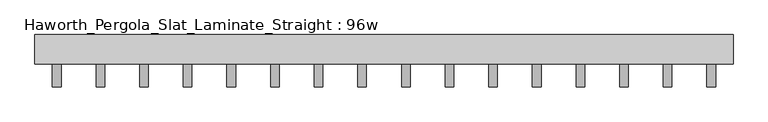
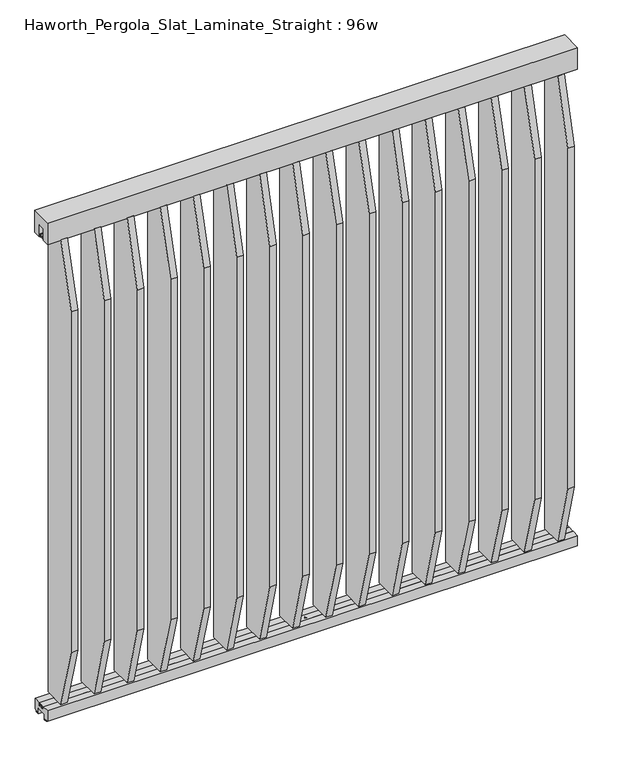
"""IFC4 building model written with IfcOpenShell, lengths in millimetres: furniture geometry, Haworth_Pergola_Slat_Laminate_Straight : 96w."""

from ifc_helpers import new_model, si_unit, point, frame, frame_2d, origin, place, context, project, spatial, polyline, circle_curve, trimmed, segment, composite_curve, outline, extrude, source, transform, mapped, element, save


def haworth_pergola_slat_laminate_straight_96w_f21a9518(model_context):
    return source(origin(), model_context, "Body", "SweptSolid", [
        extrude(outline(polyline([(-50.8, 2438.4), (50.8, 2438.4), (50.8, 2331.8390625), (15.2182948, 2331.8390625), (15.2182948, 2388.7001663), (-15.2182948, 2388.7001663), (-15.2182948, 2331.8390625), (-50.8, 2331.8390625), (-50.8, 2438.4)])), frame((-1181.1, 0.0, 0.0), z_axis=(1.0, 0.0, 0.0), x_axis=(0.0, 1.0, 0.0)), (0.0, 0.0, 1.0), 2438.4),
        extrude(outline(polyline([(-132.3000005, 2029.2806731), (-50.7895063, 2332.1697917), (50.8000016, 2332.1697917), (50.8000016, 68.7916667), (-50.7894893, 68.7916667), (-132.3000005, 371.6807247), (-132.3000005, 2029.2806731)])), frame((1013.7000003, 0.0, 0.0), z_axis=(1.0, 0.0, 0.0), x_axis=(0.0, 1.0, 0.0)), (0.0, 0.0, 1.0), 29.9999997),
        extrude(outline(composite_curve([segment(trimmed(circle_curve(frame_2d((1028.7000001, 1e-07)), 6.0), [point((1022.7000001, 1e-07))], [point((1034.7000001, 1e-07))], False, "CARTESIAN"), True, "CONTINUOUS"), segment(trimmed(circle_curve(frame_2d((1028.7000001, 1e-07)), 6.0), [point((1034.7000001, 1e-07))], [point((1022.7000001, 1e-07))], False, "CARTESIAN"), True, "CONTINUOUS")], self_intersect=False)), frame((0.0, 0.0, 2332.1697917), z_axis=(0.0, 0.0, 1.0), x_axis=(1.0, 0.0, 0.0)), (0.0, 0.0, 1.0), 4.9609375),
        extrude(outline(composite_curve([segment(trimmed(circle_curve(frame_2d((1028.7000001, 1e-07)), 6.0), [point((1022.7000001, 1e-07))], [point((1034.7000001, 1e-07))], False, "CARTESIAN"), True, "CONTINUOUS"), segment(trimmed(circle_curve(frame_2d((1028.7000001, 1e-07)), 6.0), [point((1034.7000001, 1e-07))], [point((1022.7000001, 1e-07))], False, "CARTESIAN"), True, "CONTINUOUS")], self_intersect=False)), frame((0.0, 0.0, 63.8307292), z_axis=(0.0, 0.0, 1.0), x_axis=(1.0, 0.0, 0.0)), (0.0, 0.0, 1.0), 4.9609375),
        extrude(outline(polyline([(-132.3000005, 2029.6114023), (-50.7895063, 2332.5005208), (50.8000016, 2332.5005208), (50.8000016, 69.1223958), (-50.7894893, 69.1223958), (-132.3000005, 372.0114539), (-132.3000005, 2029.6114023)])), frame((861.3000003, 0.0, 0.0), z_axis=(1.0, 0.0, 0.0), x_axis=(0.0, 1.0, 0.0)), (0.0, 0.0, 1.0), 29.9999997),
        extrude(outline(composite_curve([segment(trimmed(circle_curve(frame_2d((876.3000001, 1e-07)), 6.0), [point((870.3000001, 1e-07))], [point((882.3000001, 1e-07))], False, "CARTESIAN"), True, "CONTINUOUS"), segment(trimmed(circle_curve(frame_2d((876.3000001, 1e-07)), 6.0), [point((882.3000001, 1e-07))], [point((870.3000001, 1e-07))], False, "CARTESIAN"), True, "CONTINUOUS")], self_intersect=False)), frame((0.0, 0.0, 2332.5005208), z_axis=(0.0, 0.0, 1.0), x_axis=(1.0, 0.0, 0.0)), (0.0, 0.0, 1.0), 4.9609375),
        extrude(outline(composite_curve([segment(trimmed(circle_curve(frame_2d((876.3000001, 1e-07)), 6.0), [point((870.3000001, 1e-07))], [point((882.3000001, 1e-07))], False, "CARTESIAN"), True, "CONTINUOUS"), segment(trimmed(circle_curve(frame_2d((876.3000001, 1e-07)), 6.0), [point((882.3000001, 1e-07))], [point((870.3000001, 1e-07))], False, "CARTESIAN"), True, "CONTINUOUS")], self_intersect=False)), frame((0.0, 0.0, 64.1614583), z_axis=(0.0, 0.0, 1.0), x_axis=(1.0, 0.0, 0.0)), (0.0, 0.0, 1.0), 4.9609375),
        extrude(outline(polyline([(-132.3000005, 2029.9421314), (-50.7895063, 2332.83125), (50.8000016, 2332.83125), (50.8000016, 69.453125), (-50.7894893, 69.453125), (-132.3000005, 372.342183), (-132.3000005, 2029.9421314)])), frame((708.9000003, 0.0, 0.0), z_axis=(1.0, 0.0, 0.0), x_axis=(0.0, 1.0, 0.0)), (0.0, 0.0, 1.0), 29.9999997),
        extrude(outline(composite_curve([segment(trimmed(circle_curve(frame_2d((723.9000001, 1e-07)), 6.0), [point((717.9000001, 1e-07))], [point((729.9000001, 1e-07))], False, "CARTESIAN"), True, "CONTINUOUS"), segment(trimmed(circle_curve(frame_2d((723.9000001, 1e-07)), 6.0), [point((729.9000001, 1e-07))], [point((717.9000001, 1e-07))], False, "CARTESIAN"), True, "CONTINUOUS")], self_intersect=False)), frame((0.0, 0.0, 2332.83125), z_axis=(0.0, 0.0, 1.0), x_axis=(1.0, 0.0, 0.0)), (0.0, 0.0, 1.0), 4.9609375),
        extrude(outline(composite_curve([segment(trimmed(circle_curve(frame_2d((723.9000001, 1e-07)), 6.0), [point((717.9000001, 1e-07))], [point((729.9000001, 1e-07))], False, "CARTESIAN"), True, "CONTINUOUS"), segment(trimmed(circle_curve(frame_2d((723.9000001, 1e-07)), 6.0), [point((729.9000001, 1e-07))], [point((717.9000001, 1e-07))], False, "CARTESIAN"), True, "CONTINUOUS")], self_intersect=False)), frame((0.0, 0.0, 64.4921875), z_axis=(0.0, 0.0, 1.0), x_axis=(1.0, 0.0, 0.0)), (0.0, 0.0, 1.0), 4.9609375),
        extrude(outline(polyline([(-132.3000005, 2030.2728606), (-50.7895063, 2333.1619792), (50.8000016, 2333.1619792), (50.8000016, 69.7838542), (-50.7894893, 69.7838542), (-132.3000005, 372.6729122), (-132.3000005, 2030.2728606)])), frame((556.5000003, 0.0, 0.0), z_axis=(1.0, 0.0, 0.0), x_axis=(0.0, 1.0, 0.0)), (0.0, 0.0, 1.0), 29.9999997),
        extrude(outline(composite_curve([segment(trimmed(circle_curve(frame_2d((571.5000001, 1e-07)), 6.0), [point((565.5000001, 1e-07))], [point((577.5000001, 1e-07))], False, "CARTESIAN"), True, "CONTINUOUS"), segment(trimmed(circle_curve(frame_2d((571.5000001, 1e-07)), 6.0), [point((577.5000001, 1e-07))], [point((565.5000001, 1e-07))], False, "CARTESIAN"), True, "CONTINUOUS")], self_intersect=False)), frame((0.0, 0.0, 2333.1619792), z_axis=(0.0, 0.0, 1.0), x_axis=(1.0, 0.0, 0.0)), (0.0, 0.0, 1.0), 4.9609375),
        extrude(outline(composite_curve([segment(trimmed(circle_curve(frame_2d((571.5000001, 1e-07)), 6.0), [point((565.5000001, 1e-07))], [point((577.5000001, 1e-07))], False, "CARTESIAN"), True, "CONTINUOUS"), segment(trimmed(circle_curve(frame_2d((571.5000001, 1e-07)), 6.0), [point((577.5000001, 1e-07))], [point((565.5000001, 1e-07))], False, "CARTESIAN"), True, "CONTINUOUS")], self_intersect=False)), frame((0.0, 0.0, 64.8229167), z_axis=(0.0, 0.0, 1.0), x_axis=(1.0, 0.0, 0.0)), (0.0, 0.0, 1.0), 4.9609375),
        extrude(outline(polyline([(-132.3000005, 2030.6035898), (-50.7895063, 2333.4927083), (50.8000016, 2333.4927083), (50.8000016, 70.1145833), (-50.7894893, 70.1145833), (-132.3000005, 373.0036414), (-132.3000005, 2030.6035898)])), frame((404.1000003, 0.0, 0.0), z_axis=(1.0, 0.0, 0.0), x_axis=(0.0, 1.0, 0.0)), (0.0, 0.0, 1.0), 29.9999997),
        extrude(outline(composite_curve([segment(trimmed(circle_curve(frame_2d((419.1000001, 1e-07)), 6.0), [point((413.1000001, 1e-07))], [point((425.1000001, 1e-07))], False, "CARTESIAN"), True, "CONTINUOUS"), segment(trimmed(circle_curve(frame_2d((419.1000001, 1e-07)), 6.0), [point((425.1000001, 1e-07))], [point((413.1000001, 1e-07))], False, "CARTESIAN"), True, "CONTINUOUS")], self_intersect=False)), frame((0.0, 0.0, 2333.4927083), z_axis=(0.0, 0.0, 1.0), x_axis=(1.0, 0.0, 0.0)), (0.0, 0.0, 1.0), 4.9609375),
        extrude(outline(composite_curve([segment(trimmed(circle_curve(frame_2d((419.1000001, 1e-07)), 6.0), [point((413.1000001, 1e-07))], [point((425.1000001, 1e-07))], False, "CARTESIAN"), True, "CONTINUOUS"), segment(trimmed(circle_curve(frame_2d((419.1000001, 1e-07)), 6.0), [point((425.1000001, 1e-07))], [point((413.1000001, 1e-07))], False, "CARTESIAN"), True, "CONTINUOUS")], self_intersect=False)), frame((0.0, 0.0, 65.1536458), z_axis=(0.0, 0.0, 1.0), x_axis=(1.0, 0.0, 0.0)), (0.0, 0.0, 1.0), 4.9609375),
        extrude(outline(polyline([(-132.3000005, 2030.9343189), (-50.7895063, 2333.8234375), (50.8000016, 2333.8234375), (50.8000016, 70.4453125), (-50.7894893, 70.4453125), (-132.3000005, 373.3343705), (-132.3000005, 2030.9343189)])), frame((251.7000003, 0.0, 0.0), z_axis=(1.0, 0.0, 0.0), x_axis=(0.0, 1.0, 0.0)), (0.0, 0.0, 1.0), 29.9999997),
        extrude(outline(composite_curve([segment(trimmed(circle_curve(frame_2d((266.7000001, 1e-07)), 6.0), [point((260.7000001, 1e-07))], [point((272.7000001, 1e-07))], False, "CARTESIAN"), True, "CONTINUOUS"), segment(trimmed(circle_curve(frame_2d((266.7000001, 1e-07)), 6.0), [point((272.7000001, 1e-07))], [point((260.7000001, 1e-07))], False, "CARTESIAN"), True, "CONTINUOUS")], self_intersect=False)), frame((0.0, 0.0, 2333.8234375), z_axis=(0.0, 0.0, 1.0), x_axis=(1.0, 0.0, 0.0)), (0.0, 0.0, 1.0), 4.9609375),
        extrude(outline(composite_curve([segment(trimmed(circle_curve(frame_2d((266.7000001, 1e-07)), 6.0), [point((260.7000001, 1e-07))], [point((272.7000001, 1e-07))], False, "CARTESIAN"), True, "CONTINUOUS"), segment(trimmed(circle_curve(frame_2d((266.7000001, 1e-07)), 6.0), [point((272.7000001, 1e-07))], [point((260.7000001, 1e-07))], False, "CARTESIAN"), True, "CONTINUOUS")], self_intersect=False)), frame((0.0, 0.0, 65.484375), z_axis=(0.0, 0.0, 1.0), x_axis=(1.0, 0.0, 0.0)), (0.0, 0.0, 1.0), 4.9609375),
        extrude(outline(polyline([(-132.3000005, 2031.2650481), (-50.7895063, 2334.1541667), (50.8000016, 2334.1541667), (50.8000016, 70.7760417), (-50.7894893, 70.7760417), (-132.3000005, 373.6650997), (-132.3000005, 2031.2650481)])), frame((99.3000003, 0.0, 0.0), z_axis=(1.0, 0.0, 0.0), x_axis=(0.0, 1.0, 0.0)), (0.0, 0.0, 1.0), 29.9999997),
        extrude(outline(composite_curve([segment(trimmed(circle_curve(frame_2d((114.3000001, 1e-07)), 6.0), [point((108.3000001, 1e-07))], [point((120.3000001, 1e-07))], False, "CARTESIAN"), True, "CONTINUOUS"), segment(trimmed(circle_curve(frame_2d((114.3000001, 1e-07)), 6.0), [point((120.3000001, 1e-07))], [point((108.3000001, 1e-07))], False, "CARTESIAN"), True, "CONTINUOUS")], self_intersect=False)), frame((0.0, 0.0, 2334.1541667), z_axis=(0.0, 0.0, 1.0), x_axis=(1.0, 0.0, 0.0)), (0.0, 0.0, 1.0), 4.9609375),
        extrude(outline(composite_curve([segment(trimmed(circle_curve(frame_2d((114.3000001, 1e-07)), 6.0), [point((108.3000001, 1e-07))], [point((120.3000001, 1e-07))], False, "CARTESIAN"), True, "CONTINUOUS"), segment(trimmed(circle_curve(frame_2d((114.3000001, 1e-07)), 6.0), [point((120.3000001, 1e-07))], [point((108.3000001, 1e-07))], False, "CARTESIAN"), True, "CONTINUOUS")], self_intersect=False)), frame((0.0, 0.0, 65.8151042), z_axis=(0.0, 0.0, 1.0), x_axis=(1.0, 0.0, 0.0)), (0.0, 0.0, 1.0), 4.9609375),
        extrude(outline(polyline([(-132.3000005, 2031.5957773), (-50.7895063, 2334.4848958), (50.8000016, 2334.4848958), (50.8000016, 71.1067708), (-50.7894893, 71.1067708), (-132.3000005, 373.9958289), (-132.3000005, 2031.5957773)])), frame((-53.0999997, 0.0, 0.0), z_axis=(1.0, 0.0, 0.0), x_axis=(0.0, 1.0, 0.0)), (0.0, 0.0, 1.0), 29.9999997),
        extrude(outline(composite_curve([segment(trimmed(circle_curve(frame_2d((-38.0999999, 1e-07)), 6.0), [point((-44.0999999, 1e-07))], [point((-32.0999999, 1e-07))], False, "CARTESIAN"), True, "CONTINUOUS"), segment(trimmed(circle_curve(frame_2d((-38.0999999, 1e-07)), 6.0), [point((-32.0999999, 1e-07))], [point((-44.0999999, 1e-07))], False, "CARTESIAN"), True, "CONTINUOUS")], self_intersect=False)), frame((0.0, 0.0, 2334.4848958), z_axis=(0.0, 0.0, 1.0), x_axis=(1.0, 0.0, 0.0)), (0.0, 0.0, 1.0), 4.9609375),
        extrude(outline(composite_curve([segment(trimmed(circle_curve(frame_2d((-38.0999999, 1e-07)), 6.0), [point((-44.0999999, 1e-07))], [point((-32.0999999, 1e-07))], False, "CARTESIAN"), True, "CONTINUOUS"), segment(trimmed(circle_curve(frame_2d((-38.0999999, 1e-07)), 6.0), [point((-32.0999999, 1e-07))], [point((-44.0999999, 1e-07))], False, "CARTESIAN"), True, "CONTINUOUS")], self_intersect=False)), frame((0.0, 0.0, 66.1458333), z_axis=(0.0, 0.0, 1.0), x_axis=(1.0, 0.0, 0.0)), (0.0, 0.0, 1.0), 4.9609375),
        extrude(outline(polyline([(-132.3000005, 2031.9265064), (-50.7895063, 2334.815625), (50.8000016, 2334.815625), (50.8000016, 71.4375), (-50.7894893, 71.4375), (-132.3000005, 374.326558), (-132.3000005, 2031.9265064)])), frame((-205.4999997, 0.0, 0.0), z_axis=(1.0, 0.0, 0.0), x_axis=(0.0, 1.0, 0.0)), (0.0, 0.0, 1.0), 29.9999997),
        extrude(outline(composite_curve([segment(trimmed(circle_curve(frame_2d((-190.4999999, 1e-07)), 6.0), [point((-196.4999999, 1e-07))], [point((-184.4999999, 1e-07))], False, "CARTESIAN"), True, "CONTINUOUS"), segment(trimmed(circle_curve(frame_2d((-190.4999999, 1e-07)), 6.0), [point((-184.4999999, 1e-07))], [point((-196.4999999, 1e-07))], False, "CARTESIAN"), True, "CONTINUOUS")], self_intersect=False)), frame((0.0, 0.0, 2334.815625), z_axis=(0.0, 0.0, 1.0), x_axis=(1.0, 0.0, 0.0)), (0.0, 0.0, 1.0), 4.9609375),
        extrude(outline(composite_curve([segment(trimmed(circle_curve(frame_2d((-190.4999999, 1e-07)), 6.0), [point((-196.4999999, 1e-07))], [point((-184.4999999, 1e-07))], False, "CARTESIAN"), True, "CONTINUOUS"), segment(trimmed(circle_curve(frame_2d((-190.4999999, 1e-07)), 6.0), [point((-184.4999999, 1e-07))], [point((-196.4999999, 1e-07))], False, "CARTESIAN"), True, "CONTINUOUS")], self_intersect=False)), frame((0.0, 0.0, 66.4765625), z_axis=(0.0, 0.0, 1.0), x_axis=(1.0, 0.0, 0.0)), (0.0, 0.0, 1.0), 4.9609375),
        extrude(outline(polyline([(-132.3000005, 2032.2572356), (-50.7895063, 2335.1463542), (50.8000016, 2335.1463542), (50.8000016, 71.7682292), (-50.7894893, 71.7682292), (-132.3000005, 374.6572872), (-132.3000005, 2032.2572356)])), frame((-357.8999997, 0.0, 0.0), z_axis=(1.0, 0.0, 0.0), x_axis=(0.0, 1.0, 0.0)), (0.0, 0.0, 1.0), 29.9999997),
        extrude(outline(composite_curve([segment(trimmed(circle_curve(frame_2d((-342.8999999, 1e-07)), 6.0), [point((-348.8999999, 1e-07))], [point((-336.8999999, 1e-07))], False, "CARTESIAN"), True, "CONTINUOUS"), segment(trimmed(circle_curve(frame_2d((-342.8999999, 1e-07)), 6.0), [point((-336.8999999, 1e-07))], [point((-348.8999999, 1e-07))], False, "CARTESIAN"), True, "CONTINUOUS")], self_intersect=False)), frame((0.0, 0.0, 2335.1463542), z_axis=(0.0, 0.0, 1.0), x_axis=(1.0, 0.0, 0.0)), (0.0, 0.0, 1.0), 4.9609375),
        extrude(outline(composite_curve([segment(trimmed(circle_curve(frame_2d((-342.8999999, 1e-07)), 6.0), [point((-348.8999999, 1e-07))], [point((-336.8999999, 1e-07))], False, "CARTESIAN"), True, "CONTINUOUS"), segment(trimmed(circle_curve(frame_2d((-342.8999999, 1e-07)), 6.0), [point((-336.8999999, 1e-07))], [point((-348.8999999, 1e-07))], False, "CARTESIAN"), True, "CONTINUOUS")], self_intersect=False)), frame((0.0, 0.0, 66.8072917), z_axis=(0.0, 0.0, 1.0), x_axis=(1.0, 0.0, 0.0)), (0.0, 0.0, 1.0), 4.9609375),
        extrude(outline(polyline([(-132.3000005, 2032.5879648), (-50.7895063, 2335.4770833), (50.8000016, 2335.4770833), (50.8000016, 72.0989583), (-50.7894893, 72.0989583), (-132.3000005, 374.9880164), (-132.3000005, 2032.5879648)])), frame((-510.2999997, 0.0, 0.0), z_axis=(1.0, 0.0, 0.0), x_axis=(0.0, 1.0, 0.0)), (0.0, 0.0, 1.0), 29.9999997),
        extrude(outline(composite_curve([segment(trimmed(circle_curve(frame_2d((-495.2999999, 1e-07)), 6.0), [point((-501.2999999, 1e-07))], [point((-489.2999999, 1e-07))], False, "CARTESIAN"), True, "CONTINUOUS"), segment(trimmed(circle_curve(frame_2d((-495.2999999, 1e-07)), 6.0), [point((-489.2999999, 1e-07))], [point((-501.2999999, 1e-07))], False, "CARTESIAN"), True, "CONTINUOUS")], self_intersect=False)), frame((0.0, 0.0, 2335.4770833), z_axis=(0.0, 0.0, 1.0), x_axis=(1.0, 0.0, 0.0)), (0.0, 0.0, 1.0), 4.9609375),
        extrude(outline(composite_curve([segment(trimmed(circle_curve(frame_2d((-495.2999999, 1e-07)), 6.0), [point((-501.2999999, 1e-07))], [point((-489.2999999, 1e-07))], False, "CARTESIAN"), True, "CONTINUOUS"), segment(trimmed(circle_curve(frame_2d((-495.2999999, 1e-07)), 6.0), [point((-489.2999999, 1e-07))], [point((-501.2999999, 1e-07))], False, "CARTESIAN"), True, "CONTINUOUS")], self_intersect=False)), frame((0.0, 0.0, 67.1380208), z_axis=(0.0, 0.0, 1.0), x_axis=(1.0, 0.0, 0.0)), (0.0, 0.0, 1.0), 4.9609375),
        extrude(outline(polyline([(-132.3000005, 2032.9186939), (-50.7895063, 2335.8078125), (50.8000016, 2335.8078125), (50.8000016, 72.4296875), (-50.7894893, 72.4296875), (-132.3000005, 375.3187455), (-132.3000005, 2032.9186939)])), frame((-662.6999997, 0.0, 0.0), z_axis=(1.0, 0.0, 0.0), x_axis=(0.0, 1.0, 0.0)), (0.0, 0.0, 1.0), 29.9999997),
        extrude(outline(composite_curve([segment(trimmed(circle_curve(frame_2d((-647.6999999, 1e-07)), 6.0), [point((-653.6999999, 1e-07))], [point((-641.6999999, 1e-07))], False, "CARTESIAN"), True, "CONTINUOUS"), segment(trimmed(circle_curve(frame_2d((-647.6999999, 1e-07)), 6.0), [point((-641.6999999, 1e-07))], [point((-653.6999999, 1e-07))], False, "CARTESIAN"), True, "CONTINUOUS")], self_intersect=False)), frame((0.0, 0.0, 2335.8078125), z_axis=(0.0, 0.0, 1.0), x_axis=(1.0, 0.0, 0.0)), (0.0, 0.0, 1.0), 4.9609375),
        extrude(outline(composite_curve([segment(trimmed(circle_curve(frame_2d((-647.6999999, 1e-07)), 6.0), [point((-653.6999999, 1e-07))], [point((-641.6999999, 1e-07))], False, "CARTESIAN"), True, "CONTINUOUS"), segment(trimmed(circle_curve(frame_2d((-647.6999999, 1e-07)), 6.0), [point((-641.6999999, 1e-07))], [point((-653.6999999, 1e-07))], False, "CARTESIAN"), True, "CONTINUOUS")], self_intersect=False)), frame((0.0, 0.0, 67.46875), z_axis=(0.0, 0.0, 1.0), x_axis=(1.0, 0.0, 0.0)), (0.0, 0.0, 1.0), 4.9609375),
        extrude(outline(polyline([(-132.3000005, 2033.2494231), (-50.7895063, 2336.1385417), (50.8000016, 2336.1385417), (50.8000016, 72.7604167), (-50.7894893, 72.7604167), (-132.3000005, 375.6494747), (-132.3000005, 2033.2494231)])), frame((-815.0999997, 0.0, 0.0), z_axis=(1.0, 0.0, 0.0), x_axis=(0.0, 1.0, 0.0)), (0.0, 0.0, 1.0), 29.9999997),
        extrude(outline(composite_curve([segment(trimmed(circle_curve(frame_2d((-800.0999999, 1e-07)), 6.0), [point((-806.0999999, 1e-07))], [point((-794.0999999, 1e-07))], False, "CARTESIAN"), True, "CONTINUOUS"), segment(trimmed(circle_curve(frame_2d((-800.0999999, 1e-07)), 6.0), [point((-794.0999999, 1e-07))], [point((-806.0999999, 1e-07))], False, "CARTESIAN"), True, "CONTINUOUS")], self_intersect=False)), frame((0.0, 0.0, 2336.1385417), z_axis=(0.0, 0.0, 1.0), x_axis=(1.0, 0.0, 0.0)), (0.0, 0.0, 1.0), 4.9609375),
        extrude(outline(composite_curve([segment(trimmed(circle_curve(frame_2d((-800.0999999, 1e-07)), 6.0), [point((-806.0999999, 1e-07))], [point((-794.0999999, 1e-07))], False, "CARTESIAN"), True, "CONTINUOUS"), segment(trimmed(circle_curve(frame_2d((-800.0999999, 1e-07)), 6.0), [point((-794.0999999, 1e-07))], [point((-806.0999999, 1e-07))], False, "CARTESIAN"), True, "CONTINUOUS")], self_intersect=False)), frame((0.0, 0.0, 67.7994792), z_axis=(0.0, 0.0, 1.0), x_axis=(1.0, 0.0, 0.0)), (0.0, 0.0, 1.0), 4.9609375),
        extrude(outline(polyline([(-132.3000005, 2033.5801523), (-50.7895063, 2336.4692708), (50.8000016, 2336.4692708), (50.8000016, 73.0911458), (-50.7894893, 73.0911458), (-132.3000005, 375.9802039), (-132.3000005, 2033.5801523)])), frame((-967.4999997, 0.0, 0.0), z_axis=(1.0, 0.0, 0.0), x_axis=(0.0, 1.0, 0.0)), (0.0, 0.0, 1.0), 29.9999997),
        extrude(outline(composite_curve([segment(trimmed(circle_curve(frame_2d((-952.4999999, 1e-07)), 6.0), [point((-958.4999999, 1e-07))], [point((-946.4999999, 1e-07))], False, "CARTESIAN"), True, "CONTINUOUS"), segment(trimmed(circle_curve(frame_2d((-952.4999999, 1e-07)), 6.0), [point((-946.4999999, 1e-07))], [point((-958.4999999, 1e-07))], False, "CARTESIAN"), True, "CONTINUOUS")], self_intersect=False)), frame((0.0, 0.0, 2336.4692708), z_axis=(0.0, 0.0, 1.0), x_axis=(1.0, 0.0, 0.0)), (0.0, 0.0, 1.0), 4.9609375),
        extrude(outline(composite_curve([segment(trimmed(circle_curve(frame_2d((-952.4999999, 1e-07)), 6.0), [point((-958.4999999, 1e-07))], [point((-946.4999999, 1e-07))], False, "CARTESIAN"), True, "CONTINUOUS"), segment(trimmed(circle_curve(frame_2d((-952.4999999, 1e-07)), 6.0), [point((-946.4999999, 1e-07))], [point((-958.4999999, 1e-07))], False, "CARTESIAN"), True, "CONTINUOUS")], self_intersect=False)), frame((0.0, 0.0, 68.1302083), z_axis=(0.0, 0.0, 1.0), x_axis=(1.0, 0.0, 0.0)), (0.0, 0.0, 1.0), 4.9609375),
        extrude(outline(polyline([(-132.3000005, 2028.9499439), (-50.7895063, 2331.8390625), (50.8000016, 2331.8390625), (50.8000016, 68.4609375), (-50.7894893, 68.4609375), (-132.3000005, 371.3499955), (-132.3000005, 2028.9499439)])), frame((1166.1000003, 0.0, 0.0), z_axis=(1.0, 0.0, 0.0), x_axis=(0.0, 1.0, 0.0)), (0.0, 0.0, 1.0), 29.9999997),
        extrude(outline(composite_curve([segment(trimmed(circle_curve(frame_2d((1181.1000001, 1e-07)), 6.0), [point((1175.1000001, 1e-07))], [point((1187.1000001, 1e-07))], False, "CARTESIAN"), True, "CONTINUOUS"), segment(trimmed(circle_curve(frame_2d((1181.1000001, 1e-07)), 6.0), [point((1187.1000001, 1e-07))], [point((1175.1000001, 1e-07))], False, "CARTESIAN"), True, "CONTINUOUS")], self_intersect=False)), frame((0.0, 0.0, 2331.8390625), z_axis=(0.0, 0.0, 1.0), x_axis=(1.0, 0.0, 0.0)), (0.0, 0.0, 1.0), 4.9609375),
        extrude(outline(composite_curve([segment(trimmed(circle_curve(frame_2d((1181.1000001, 1e-07)), 6.0), [point((1175.1000001, 1e-07))], [point((1187.1000001, 1e-07))], False, "CARTESIAN"), True, "CONTINUOUS"), segment(trimmed(circle_curve(frame_2d((1181.1000001, 1e-07)), 6.0), [point((1187.1000001, 1e-07))], [point((1175.1000001, 1e-07))], False, "CARTESIAN"), True, "CONTINUOUS")], self_intersect=False)), frame((0.0, 0.0, 63.5), z_axis=(0.0, 0.0, 1.0), x_axis=(1.0, 0.0, 0.0)), (0.0, 0.0, 1.0), 4.9609375),
        extrude(outline(polyline([(-132.3000005, 2033.9108814), (-50.7895063, 2336.8), (50.8000016, 2336.8), (50.8000016, 73.421875), (-50.7894893, 73.421875), (-132.3000005, 376.310933), (-132.3000005, 2033.9108814)])), frame((-1119.8999997, 0.0, 0.0), z_axis=(1.0, 0.0, 0.0), x_axis=(0.0, 1.0, 0.0)), (0.0, 0.0, 1.0), 29.9999997),
        extrude(outline(composite_curve([segment(trimmed(circle_curve(frame_2d((-1104.8999999, 1e-07)), 6.0), [point((-1110.8999999, 1e-07))], [point((-1098.8999999, 1e-07))], False, "CARTESIAN"), True, "CONTINUOUS"), segment(trimmed(circle_curve(frame_2d((-1104.8999999, 1e-07)), 6.0), [point((-1098.8999999, 1e-07))], [point((-1110.8999999, 1e-07))], False, "CARTESIAN"), True, "CONTINUOUS")], self_intersect=False)), frame((0.0, 0.0, 2336.8), z_axis=(0.0, 0.0, 1.0), x_axis=(1.0, 0.0, 0.0)), (0.0, 0.0, 1.0), 4.9609375),
        extrude(outline(composite_curve([segment(trimmed(circle_curve(frame_2d((-1104.8999999, 1e-07)), 6.0), [point((-1110.8999999, 1e-07))], [point((-1098.8999999, 1e-07))], False, "CARTESIAN"), True, "CONTINUOUS"), segment(trimmed(circle_curve(frame_2d((-1104.8999999, 1e-07)), 6.0), [point((-1098.8999999, 1e-07))], [point((-1110.8999999, 1e-07))], False, "CARTESIAN"), True, "CONTINUOUS")], self_intersect=False)), frame((0.0, 0.0, 68.4609375), z_axis=(0.0, 0.0, 1.0), x_axis=(1.0, 0.0, 0.0)), (0.0, 0.0, 1.0), 4.9609375),
        extrude(outline(polyline([(-7.8249998, 61.7499993), (-15.2249995, 61.7499993), (-15.2249995, 63.5), (15.2249996, 63.5), (15.2249996, 61.7499999), (13.3999997, 61.7499999), (13.3999997, 50.2499995), (11.8250005, 50.2499995), (11.8250005, 61.7499993), (-4.8250001, 61.7499993), (-4.8250001, 50.0999996), (-7.8249998, 50.0999996), (-7.8249998, 61.7499993)])), frame((-1181.1, 0.0, 0.0), z_axis=(1.0, 0.0, 0.0), x_axis=(0.0, 1.0, 0.0)), (0.0, 0.0, 1.0), 2438.4),
        extrude(outline(polyline([(-16.2000002, 63.5), (-16.5085717, 61.7499999), (-13.3999996, 61.7499999), (-13.3999996, 58.8973461), (-15.4000002, 59.2499999), (-15.4000002, 48.3500004), (15.4000003, 48.3500004), (15.4000003, 59.2499999), (13.3999997, 58.8973461), (13.3999997, 61.7499999), (16.5085718, 61.7499999), (16.2000003, 63.5), (50.0000004, 63.5), (50.0000004, 12.6999985), (40.9499987, 12.6999985), (38.9499981, 10.6999979), (28.9499999, 10.6999979), (28.9499999, 7.6999994), (38.9499981, 7.6999994), (38.9499981, 5.6999988), (23.7499993, 5.6999988), (23.7499993, 31.4500009), (-23.7499992, 31.4500009), (-23.7499992, 5.6999988), (-38.949998, 5.6999988), (-38.949998, 7.6999994), (-28.9499998, 7.6999994), (-28.9499998, 10.6999979), (-38.949998, 10.6999979), (-40.9499986, 12.6999985), (-50.0000003, 12.6999985), (-50.0000003, 63.5), (-16.2000002, 63.5)])), frame((-1181.1, 0.0, 0.0), z_axis=(1.0, 0.0, 0.0), x_axis=(0.0, 1.0, 0.0)), (0.0, 0.0, 1.0), 2438.4),
        extrude(outline(polyline([(7.8249999, 2338.5500385), (15.2249996, 2338.5500385), (15.2249996, 2336.8), (-15.2249995, 2336.8), (-15.2249995, 2338.5500385), (-13.3999996, 2338.5500385), (-13.3999996, 2350.0500633), (-11.8249992, 2350.0500633), (-11.8250004, 2338.5500385), (4.8250002, 2338.5500385), (4.8250002, 2350.2000542), (7.8250005, 2350.2000542), (7.8249999, 2338.5500385)])), frame((-1181.1, 0.0, 0.0), z_axis=(1.0, 0.0, 0.0), x_axis=(0.0, 1.0, 0.0)), (0.0, 0.0, 1.0), 2438.4),
        extrude(outline(composite_curve([segment(trimmed(circle_curve(frame_2d((38.1000001, 1e-07)), 6.0), [point((32.1000001, 1e-07))], [point((44.1000001, 1e-07))], False, "CARTESIAN"), True, "CONTINUOUS"), segment(trimmed(circle_curve(frame_2d((38.1000001, 1e-07)), 6.0), [point((44.1000001, 1e-07))], [point((32.1000001, 1e-07))], False, "CARTESIAN"), True, "CONTINUOUS")], self_intersect=False)), frame((0.0, 0.0, 2319.1390625), z_axis=(0.0, 0.0, 1.0), x_axis=(1.0, 0.0, 0.0)), (0.0, 0.0, 1.0), 17.6609375),
        extrude(outline(composite_curve([segment(trimmed(circle_curve(frame_2d((38.1000001, 1e-07)), 6.0), [point((32.1000001, 1e-07))], [point((44.1000001, 1e-07))], False, "CARTESIAN"), True, "CONTINUOUS"), segment(trimmed(circle_curve(frame_2d((38.1000001, 1e-07)), 6.0), [point((44.1000001, 1e-07))], [point((32.1000001, 1e-07))], False, "CARTESIAN"), True, "CONTINUOUS")], self_intersect=False)), frame((0.0, 0.0, 55.7609375), z_axis=(0.0, 0.0, 1.0), x_axis=(1.0, 0.0, 0.0)), (0.0, 0.0, 1.0), 7.7390625),
    ])


if __name__ == "__main__":
    model = new_model("IFC4")
    model_context = context("Model", 3, world=origin())
    ifc_project = project(units=[si_unit("LENGTHUNIT", "METRE", prefix="MILLI")], contexts=[model_context])
    site = spatial("IfcSite", under=ifc_project)
    building = spatial("IfcBuilding", under=site)
    placement = place(None, origin())
    haworth_pergola_slat_laminate_straight_96w_shape = haworth_pergola_slat_laminate_straight_96w_f21a9518(model_context)
    element("IfcFurniture", 1, ObjectType="Haworth_Pergola_Slat_Laminate_Straight : 96w", at=placement, inside=building, context=model_context, shape_type="MappedRepresentation", body=[
        mapped(haworth_pergola_slat_laminate_straight_96w_shape, transform((0.0, 0.0, 0.0), x_axis=(1.0, 0.0, 0.0), y_axis=(0.0, 1.0, 0.0), z_axis=(0.0, 0.0, 1.0))),
    ])
    save(model, "model.ifc")
